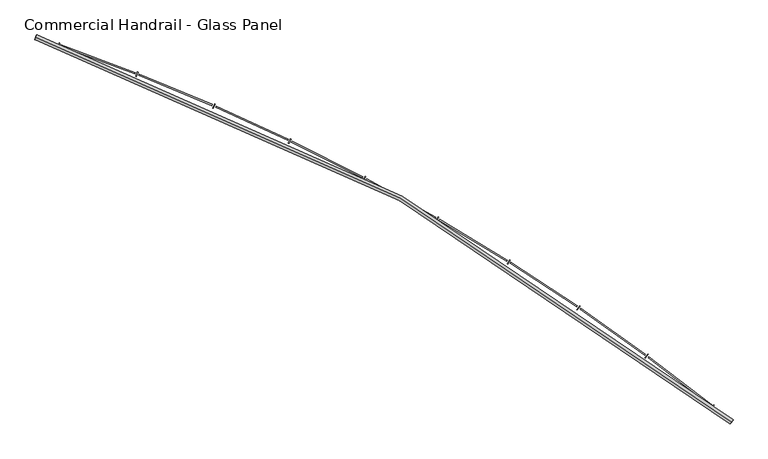
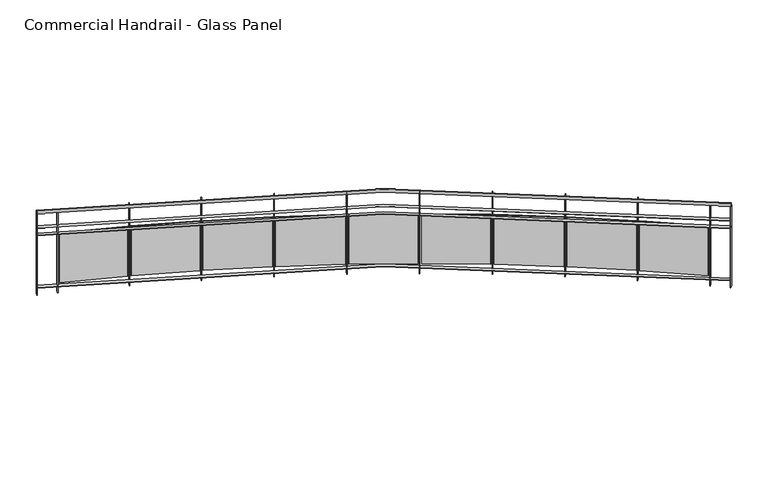
"""IFC4 building model written with IfcOpenShell, lengths in millimetres: railing geometry, Commercial Handrail - Glass Panel."""

from ifc_helpers import new_model, si_unit, point, frame, origin, place, context, project, spatial, polyline, circle_curve, ellipse_curve, trimmed, outline, extrude, source, transform, mapped, element, save
from ifc_brep_helpers import plane_surface, cylinder_surface, revolved_surface, advanced_brep


def commercial_handrail_glass_panel_12a7f3d2(model_context):
    return source(origin(), model_context, "Body", "SolidModel", [
        advanced_brep(
        [(150583.3685507, -40178.0609172, 23082.5), (143915.4015975, -36490.7578825, 23082.5), (143915.4015975, -36490.7578825, 23117.5), (150583.3685507, -40178.0609172, 23117.5)],
        [
            (0, 1, circle_curve(frame((137048.5497623, -56781.179875, 23082.5), z_axis=(0.0, 0.0, 1.0), x_axis=(0.3205678761961466, 0.9472255469269671, 0.0)), 21420.8981782)),
            (1, 2, ellipse_curve(frame((143915.4015975, -36490.7578825, 23100.0), z_axis=(0.9472255469269653, -0.32056787619615223, 0.0), x_axis=(-0.32056787619615223, -0.9472255469269653, 0.0)), 25.0, 17.5)),
            (2, 3, circle_curve(frame((137048.5497623, -56781.179875, 23117.5), z_axis=(0.0, 0.0, -1.0), x_axis=(0.3205678761961466, 0.9472255469269671, 0.0)), 21420.8981782)),
            (3, 0, ellipse_curve(frame((150583.3685507, -40178.0609172, 23100.0), z_axis=(-0.7750897660636332, 0.6318511332136888, 0.0), x_axis=(-0.6318511332136887, -0.775089766063633, 0.0)), 25.0, 17.5)),
            (2, 1, ellipse_curve(frame((143915.4015975, -36490.7578825, 23100.0), z_axis=(0.9472255469269653, -0.32056787619615223, 0.0), x_axis=(-0.32056787619615223, -0.9472255469269653, 0.0)), 25.0, 17.5)),
            (0, 3, ellipse_curve(frame((150583.3685507, -40178.0609172, 23100.0), z_axis=(-0.7750897660636332, 0.6318511332136888, 0.0), x_axis=(-0.6318511332136887, -0.775089766063633, 0.0)), 25.0, 17.5)),
        ],
        [
            revolved_surface(trimmed(ellipse_curve(frame((143915.4015975, -36490.7578825, 23100.0), z_axis=(-0.9472255469269671, 0.3205678761961466, 0.0), x_axis=(0.0, 0.0, -1.0)), 17.5, 25.0), [point((143915.4015975, -36490.7578825, 23117.5))], [point((143915.4015975, -36490.7578825, 23082.5))], True, "CARTESIAN"), (137048.5497623, -56781.179875, 23100.0), (0.0, 0.0, -1.0)),
            revolved_surface(trimmed(ellipse_curve(frame((143915.4015975, -36490.7578825, 23100.0), z_axis=(-0.9472255469269671, 0.3205678761961466, 0.0), x_axis=(0.0, 0.0, -1.0)), 17.5, 25.0), [point((143915.4015975, -36490.7578825, 23082.5))], [point((143915.4015975, -36490.7578825, 23117.5))], True, "CARTESIAN"), (137048.5497623, -56781.179875, 23100.0), (0.0, 0.0, -1.0)),
            plane_surface(frame((143915.4015975, -36490.7578825, 23100.0), z_axis=(-0.9472255469269671, 0.3205678761961466, 0.0), x_axis=(0.3205678761961466, 0.9472255469269671, 0.0))),
            plane_surface(frame((150583.3685507, -40178.0609172, 23100.0), z_axis=(0.7750897660636331, -0.6318511332136886, 0.0), x_axis=(0.6318511332136886, 0.7750897660636331, 0.0))),
        ],
        [
            (0, [[1, 2, 3, 4]]),
            (1, [[-3, 5, -1, 6]]),
            (2, [[-2, -5]]),
            (3, [[-6, -4]]),
        ],
    ),
        advanced_brep(
        [(150597.5852012, -40160.6213975, 22900.0), (143922.6143747, -36469.4453077, 22900.0), (143908.1888203, -36512.0704573, 22900.0), (150569.1519002, -40195.500437, 22900.0), (150597.5852012, -40160.6213975, 22894.0), (143922.6143747, -36469.4453077, 22894.0), (150569.1519002, -40195.500437, 22894.0), (143908.1888203, -36512.0704573, 22894.0)],
        [
            (0, 1, circle_curve(frame((137048.5497623, -56781.179875, 22900.0), z_axis=(0.0, 0.0, 1.0), x_axis=(0.3205678761961466, 0.9472255469269671, 0.0)), 21443.3981782)),
            (1, 2),
            (2, 3, circle_curve(frame((137048.5497623, -56781.179875, 22900.0), z_axis=(0.0, 0.0, -1.0), x_axis=(0.3205678761961466, 0.9472255469269671, 0.0)), 21398.3981782)),
            (3, 0),
            (4, 5, circle_curve(frame((137048.5497623, -56781.179875, 22894.0), z_axis=(0.0, 0.0, 1.0), x_axis=(0.3205678761961466, 0.9472255469269671, 0.0)), 21443.3981782)),
            (5, 1),
            (0, 4),
            (6, 7, circle_curve(frame((137048.5497623, -56781.179875, 22894.0), z_axis=(0.0, 0.0, 1.0), x_axis=(0.3205678761961466, 0.9472255469269671, 0.0)), 21398.3981782)),
            (7, 5),
            (4, 6),
            (2, 7),
            (6, 3),
        ],
        [
            plane_surface(frame((137048.5497623, -56781.179875, 22900.0), z_axis=(0.0, 0.0, 1.0), x_axis=(0.3205678761961466, 0.9472255469269671, 0.0))),
            cylinder_surface(frame((137048.5497623, -56781.179875, 22900.0), z_axis=(0.0, 0.0, -1.0), x_axis=(0.3205678761961466, 0.9472255469269671, 0.0)), 21443.3981782),
            plane_surface(frame((137048.5497623, -56781.179875, 22894.0), z_axis=(0.0, 0.0, -1.0), x_axis=(0.3205678761961466, 0.9472255469269671, 0.0))),
            revolved_surface(polyline([(143908.18882028508, -36512.07045729349, 22894.0), (143908.18882028508, -36512.07045729349, 22900.0)]), (137048.5497623, -56781.179875, 22900.0), (0.0, 0.0, -1.0)),
            plane_surface(frame((143915.4015975, -36490.7578825, 22900.0), z_axis=(-0.9472255469269671, 0.3205678761961466, 0.0), x_axis=(0.3205678761961466, 0.9472255469269671, 0.0))),
            plane_surface(frame((150583.3685507, -40178.0609172, 22900.0), z_axis=(0.7750897660636331, -0.6318511332136886, 0.0), x_axis=(0.6318511332136886, 0.7750897660636331, 0.0))),
        ],
        [
            (0, [[1, 2, 3, 4]]),
            (1, [[5, 6, -1, 7]]),
            (2, [[8, 9, -5, 10]]),
            (3, [[-3, 11, -8, 12]]),
            (4, [[-2, -6, -9, -11]]),
            (5, [[-12, -10, -7, -4]]),
        ],
    ),
        advanced_brep(
        [(150597.5852012, -40160.6213975, 22800.0), (143922.6143747, -36469.4453077, 22800.0), (143908.1888203, -36512.0704573, 22800.0), (150569.1519002, -40195.500437, 22800.0), (150597.5852012, -40160.6213975, 22794.0), (143922.6143747, -36469.4453077, 22794.0), (150569.1519002, -40195.500437, 22794.0), (143908.1888203, -36512.0704573, 22794.0)],
        [
            (0, 1, circle_curve(frame((137048.5497623, -56781.179875, 22800.0), z_axis=(0.0, 0.0, 1.0), x_axis=(0.3205678761961466, 0.9472255469269671, 0.0)), 21443.3981782)),
            (1, 2),
            (2, 3, circle_curve(frame((137048.5497623, -56781.179875, 22800.0), z_axis=(0.0, 0.0, -1.0), x_axis=(0.3205678761961466, 0.9472255469269671, 0.0)), 21398.3981782)),
            (3, 0),
            (4, 5, circle_curve(frame((137048.5497623, -56781.179875, 22794.0), z_axis=(0.0, 0.0, 1.0), x_axis=(0.3205678761961466, 0.9472255469269671, 0.0)), 21443.3981782)),
            (5, 1),
            (0, 4),
            (6, 7, circle_curve(frame((137048.5497623, -56781.179875, 22794.0), z_axis=(0.0, 0.0, 1.0), x_axis=(0.3205678761961466, 0.9472255469269671, 0.0)), 21398.3981782)),
            (7, 5),
            (4, 6),
            (2, 7),
            (6, 3),
        ],
        [
            plane_surface(frame((137048.5497623, -56781.179875, 22800.0), z_axis=(0.0, 0.0, 1.0), x_axis=(0.3205678761961466, 0.9472255469269671, 0.0))),
            cylinder_surface(frame((137048.5497623, -56781.179875, 22800.0), z_axis=(0.0, 0.0, -1.0), x_axis=(0.3205678761961466, 0.9472255469269671, 0.0)), 21443.3981782),
            plane_surface(frame((137048.5497623, -56781.179875, 22794.0), z_axis=(0.0, 0.0, -1.0), x_axis=(0.3205678761961466, 0.9472255469269671, 0.0))),
            revolved_surface(polyline([(143908.18882028508, -36512.07045729349, 22794.0), (143908.18882028508, -36512.07045729349, 22800.0)]), (137048.5497623, -56781.179875, 22800.0), (0.0, 0.0, -1.0)),
            plane_surface(frame((143915.4015975, -36490.7578825, 22800.0), z_axis=(-0.9472255469269671, 0.3205678761961466, 0.0), x_axis=(0.3205678761961466, 0.9472255469269671, 0.0))),
            plane_surface(frame((150583.3685507, -40178.0609172, 22800.0), z_axis=(0.7750897660636331, -0.6318511332136886, 0.0), x_axis=(0.6318511332136886, 0.7750897660636331, 0.0))),
        ],
        [
            (0, [[1, 2, 3, 4]]),
            (1, [[5, 6, -1, 7]]),
            (2, [[8, 9, -5, 10]]),
            (3, [[-3, 11, -8, 12]]),
            (4, [[-2, -6, -9, -11]]),
            (5, [[-12, -10, -7, -4]]),
        ],
    ),
        advanced_brep(
        [(150597.5852012, -40160.6213975, 22100.0), (143922.6143747, -36469.4453077, 22100.0), (143908.1888203, -36512.0704573, 22100.0), (150569.1519002, -40195.500437, 22100.0), (150597.5852012, -40160.6213975, 22094.0), (143922.6143747, -36469.4453077, 22094.0), (150569.1519002, -40195.500437, 22094.0), (143908.1888203, -36512.0704573, 22094.0)],
        [
            (0, 1, circle_curve(frame((137048.5497623, -56781.179875, 22100.0), z_axis=(0.0, 0.0, 1.0), x_axis=(0.3205678761961466, 0.9472255469269671, 0.0)), 21443.3981782)),
            (1, 2),
            (2, 3, circle_curve(frame((137048.5497623, -56781.179875, 22100.0), z_axis=(0.0, 0.0, -1.0), x_axis=(0.3205678761961466, 0.9472255469269671, 0.0)), 21398.3981782)),
            (3, 0),
            (4, 5, circle_curve(frame((137048.5497623, -56781.179875, 22094.0), z_axis=(0.0, 0.0, 1.0), x_axis=(0.3205678761961466, 0.9472255469269671, 0.0)), 21443.3981782)),
            (5, 1),
            (0, 4),
            (6, 7, circle_curve(frame((137048.5497623, -56781.179875, 22094.0), z_axis=(0.0, 0.0, 1.0), x_axis=(0.3205678761961466, 0.9472255469269671, 0.0)), 21398.3981782)),
            (7, 5),
            (4, 6),
            (2, 7),
            (6, 3),
        ],
        [
            plane_surface(frame((137048.5497623, -56781.179875, 22100.0), z_axis=(0.0, 0.0, 1.0), x_axis=(0.3205678761961466, 0.9472255469269671, 0.0))),
            cylinder_surface(frame((137048.5497623, -56781.179875, 22100.0), z_axis=(0.0, 0.0, -1.0), x_axis=(0.3205678761961466, 0.9472255469269671, 0.0)), 21443.3981782),
            plane_surface(frame((137048.5497623, -56781.179875, 22094.0), z_axis=(0.0, 0.0, -1.0), x_axis=(0.3205678761961466, 0.9472255469269671, 0.0))),
            revolved_surface(polyline([(143908.18882028508, -36512.07045729349, 22094.0), (143908.18882028508, -36512.07045729349, 22100.0)]), (137048.5497623, -56781.179875, 22100.0), (0.0, 0.0, -1.0)),
            plane_surface(frame((143915.4015975, -36490.7578825, 22100.0), z_axis=(-0.9472255469269671, 0.3205678761961466, 0.0), x_axis=(0.3205678761961466, 0.9472255469269671, 0.0))),
            plane_surface(frame((150583.3685507, -40178.0609172, 22100.0), z_axis=(0.7750897660636331, -0.6318511332136886, 0.0), x_axis=(0.6318511332136886, 0.7750897660636331, 0.0))),
        ],
        [
            (0, [[1, 2, 3, 4]]),
            (1, [[5, 6, -1, 7]]),
            (2, [[8, 9, -5, 10]]),
            (3, [[-3, 11, -8, 12]]),
            (4, [[-2, -6, -9, -11]]),
            (5, [[-12, -10, -7, -4]]),
        ],
    ),
        extrude(outline(polyline([(150387.8172497, -40049.3121821), (150415.8741434, -40014.1296479), (150420.565148, -40017.8705671), (150392.5082542, -40053.0531013), (150387.8172497, -40049.3121821)])), frame((0.0, 0.0, 22000.0), z_axis=(0.0, 0.0, 1.0), x_axis=(1.0, 0.0, 0.0)), (0.0, 0.0, 1.0), 1082.1192282),
        extrude(outline(polyline([(149791.3308783, -39551.0349259), (150394.2690459, -40013.7071274), (150386.9636954, -40023.2272037), (149784.0255278, -39560.5550022), (149791.3308783, -39551.0349259)])), frame((0.0, 0.0, 22120.0), z_axis=(0.0, 0.0, 1.0), x_axis=(1.0, 0.0, 0.0)), (0.0, 0.0, 1.0), 660.0),
        extrude(outline(polyline([(149753.7807796, -39562.917524), (149780.5044628, -39526.7119338), (149785.3318748, -39530.2750916), (149758.6081917, -39566.4806817), (149753.7807796, -39562.917524)])), frame((0.0, 0.0, 22000.0), z_axis=(0.0, 0.0, 1.0), x_axis=(1.0, 0.0, 0.0)), (0.0, 0.0, 1.0), 1082.1192282),
        extrude(outline(polyline([(149139.1056536, -39087.2593434), (149758.8986545, -39527.0963996), (149751.9538589, -39536.8826049), (149132.160858, -39097.0455487), (149139.1056536, -39087.2593434)])), frame((0.0, 0.0, 22120.0), z_axis=(0.0, 0.0, 1.0), x_axis=(1.0, 0.0, 0.0)), (0.0, 0.0, 1.0), 660.0),
        extrude(outline(polyline([(149102.0254116, -39100.5357023), (149127.3786149, -39063.3575489), (149132.335702, -39066.737976), (149106.9824987, -39103.9161294), (149102.0254116, -39100.5357023)])), frame((0.0, 0.0, 22000.0), z_axis=(0.0, 0.0, 1.0), x_axis=(1.0, 0.0, 0.0)), (0.0, 0.0, 1.0), 1082.1192282),
        extrude(outline(polyline([(148470.0187657, -38648.1599571), (149105.8022278, -39064.5484649), (149099.2276724, -39074.5871511), (148463.4442103, -38658.1986434), (148470.0187657, -38648.1599571)])), frame((0.0, 0.0, 22120.0), z_axis=(0.0, 0.0, 1.0), x_axis=(1.0, 0.0, 0.0)), (0.0, 0.0, 1.0), 660.0),
        extrude(outline(polyline([(148433.4600931, -38662.8115613), (148457.4074585, -38624.712694), (148462.4873075, -38627.9056761), (148438.5399421, -38666.0045433), (148433.4600931, -38662.8115613)])), frame((0.0, 0.0, 22000.0), z_axis=(0.0, 0.0, 1.0), x_axis=(1.0, 0.0, 0.0)), (0.0, 0.0, 1.0), 1082.1192282),
        extrude(outline(polyline([(147785.0033328, -38234.3491413), (148435.8905832, -38626.7083992), (148429.695437, -38636.9855663), (147778.8081866, -38244.6263084), (147785.0033328, -38234.3491413)])), frame((0.0, 0.0, 22120.0), z_axis=(0.0, 0.0, 1.0), x_axis=(1.0, 0.0, 0.0)), (0.0, 0.0, 1.0), 660.0),
        extrude(outline(polyline([(147749.0172148, -38250.3555574), (147771.5253451, -38211.3891094), (147776.7208715, -38214.3901934), (147754.2127412, -38253.3566414), (147749.0172148, -38250.3555574)])), frame((0.0, 0.0, 22000.0), z_axis=(0.0, 0.0, 1.0), x_axis=(1.0, 0.0, 0.0)), (0.0, 0.0, 1.0), 1082.1192282),
        extrude(outline(polyline([(147085.0146873, -37846.4040024), (147750.0979893, -38214.1868206), (147744.2908922, -38224.6881359), (147079.2075902, -37856.9053177), (147085.0146873, -37846.4040024)])), frame((0.0, 0.0, 22120.0), z_axis=(0.0, 0.0, 1.0), x_axis=(1.0, 0.0, 0.0)), (0.0, 0.0, 1.0), 660.0),
        extrude(outline(polyline([(147049.6513106, -37863.7429077), (147070.6888157, -37823.9632221), (147075.9927737, -37826.7682228), (147054.9552687, -37866.5479084), (147049.6513106, -37863.7429077)])), frame((0.0, 0.0, 22000.0), z_axis=(0.0, 0.0, 1.0), x_axis=(1.0, 0.0, 0.0)), (0.0, 0.0, 1.0), 1082.1192282),
        extrude(outline(polyline([(146371.0290434, -37484.8655743), (147049.3808623, -37827.5590376), (147043.9699129, -37838.2698558), (146365.618094, -37495.5763925), (146371.0290434, -37484.8655743)])), frame((0.0, 0.0, 22120.0), z_axis=(0.0, 0.0, 1.0), x_axis=(1.0, 0.0, 0.0)), (0.0, 0.0, 1.0), 660.0),
        extrude(outline(polyline([(146336.3377264, -37503.5127878), (146355.8752669, -37462.975342), (146361.2802597, -37465.5803474), (146341.7427192, -37506.1177932), (146336.3377264, -37503.5127878)])), frame((0.0, 0.0, 22000.0), z_axis=(0.0, 0.0, 1.0), x_axis=(1.0, 0.0, 0.0)), (0.0, 0.0, 1.0), 1082.1192282),
        extrude(outline(polyline([(145644.0421358, -37150.2380638), (146334.7164324, -37467.364247), (146329.7091769, -37478.2696306), (145639.0348803, -37161.1434474), (145644.0421358, -37150.2380638)])), frame((0.0, 0.0, 22120.0), z_axis=(0.0, 0.0, 1.0), x_axis=(1.0, 0.0, 0.0)), (0.0, 0.0, 1.0), 660.0),
        extrude(outline(polyline([(145610.0712594, -37170.1675797), (145628.0815881, -37128.9289078), (145633.5800777, -37131.3302849), (145615.569749, -37172.5689569), (145610.0712594, -37170.1675797)])), frame((0.0, 0.0, 22000.0), z_axis=(0.0, 0.0, 1.0), x_axis=(1.0, 0.0, 0.0)), (0.0, 0.0, 1.0), 1082.1192282),
        extrude(outline(polyline([(144905.0678309, -36842.9881472), (145607.1013808, -37134.1047815), (145602.5048024, -37145.1895217), (144900.4712525, -36854.0728874), (144905.0678309, -36842.9881472)])), frame((0.0, 0.0, 22120.0), z_axis=(0.0, 0.0, 1.0), x_axis=(1.0, 0.0, 0.0)), (0.0, 0.0, 1.0), 660.0),
        extrude(outline(polyline([(144871.8647714, -36864.1721715), (144888.3227707, -36822.2897855), (144893.9070889, -36824.4841854), (144877.4490896, -36866.3665714), (144871.8647714, -36864.1721715)])), frame((0.0, 0.0, 22000.0), z_axis=(0.0, 0.0, 1.0), x_axis=(1.0, 0.0, 0.0)), (0.0, 0.0, 1.0), 1082.1192282),
        extrude(outline(polyline([(144155.1367129, -36563.5443196), (144867.5504501, -36828.2454095), (144863.3709592, -36839.4940475), (144150.957222, -36574.7929575), (144155.1367129, -36563.5443196)])), frame((0.0, 0.0, 22120.0), z_axis=(0.0, 0.0, 1.0), x_axis=(1.0, 0.0, 0.0)), (0.0, 0.0, 1.0), 660.0),
        extrude(outline(polyline([(144122.7477757, -36585.9533088), (144137.6304932, -36543.4856185), (144143.2928519, -36545.4699808), (144128.4101344, -36587.9376712), (144122.7477757, -36585.9533088)])), frame((0.0, 0.0, 22000.0), z_axis=(0.0, 0.0, 1.0), x_axis=(1.0, 0.0, 0.0)), (0.0, 0.0, 1.0), 1082.1192282),
        extrude(outline(polyline([(150566.8266309, -40193.6048836), (150595.2599319, -40158.7258441), (150599.9104705, -40162.5169509), (150571.4771695, -40197.3959904), (150566.8266309, -40193.6048836)])), frame((0.0, 0.0, 22000.0), z_axis=(0.0, 0.0, 1.0), x_axis=(1.0, 0.0, 0.0)), (0.0, 0.0, 1.0), 1082.1192282),
        extrude(outline(polyline([(143905.3471437, -36511.1087537), (143919.7726981, -36468.4836041), (143925.4560514, -36470.4070113), (143911.030497, -36513.032161), (143905.3471437, -36511.1087537)])), frame((0.0, 0.0, 22000.0), z_axis=(0.0, 0.0, 1.0), x_axis=(1.0, 0.0, 0.0)), (0.0, 0.0, 1.0), 1082.1192282),
    ])


if __name__ == "__main__":
    model = new_model("IFC4")
    model_context = context("Model", 3, world=origin())
    ifc_project = project(units=[si_unit("LENGTHUNIT", "METRE", prefix="MILLI")], contexts=[model_context])
    site = spatial("IfcSite", under=ifc_project)
    building = spatial("IfcBuilding", under=site)
    placement = place(None, origin())
    commercial_handrail_glass_panel_shape = commercial_handrail_glass_panel_12a7f3d2(model_context)
    element("IfcRailing", 1, ObjectType="Commercial Handrail - Glass Panel", at=placement, inside=building, context=model_context, shape_type="MappedRepresentation", body=[
        mapped(commercial_handrail_glass_panel_shape, transform((0.0, 0.0, 0.0), x_axis=(1.0, 0.0, 0.0), y_axis=(0.0, 1.0, 0.0), z_axis=(0.0, 0.0, 1.0))),
    ])
    save(model, "model.ifc")
